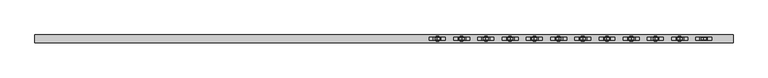
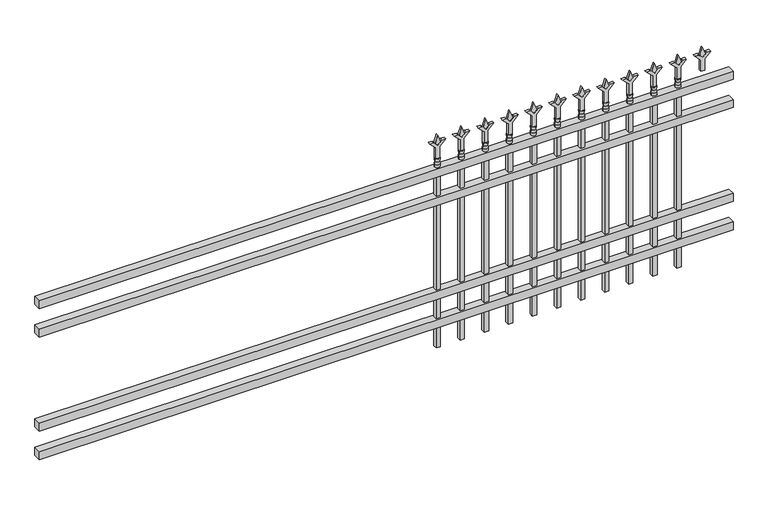
"""IFC4 building model written with IfcOpenShell, lengths in millimetres: railing geometry."""

from ifc_helpers import new_model, si_unit, frame, origin, place, context, project, spatial, polyline, circle_curve, outline, extrude, source, transform, mapped, element, save
from ifc_brep_helpers import plane_surface, cylinder_surface, revolved_surface, advanced_brep


def railing_6ea6c6c9(model_context):
    return source(origin(), model_context, "Body", "SolidModel", [
        extrude(outline(polyline([(-85729.318087, -6748.7195174), (-85729.318087, -6713.7945174), (-82579.718087, -6713.7945174), (-82579.718087, -6748.7195174), (-85729.318087, -6748.7195174)])), frame((0.0, 0.0, 876.3), z_axis=(0.0, 0.0, 1.0), x_axis=(1.0, 0.0, 0.0)), (0.0, 0.0, 1.0), 38.1),
        extrude(outline(polyline([(-85729.318087, -6748.7195174), (-85729.318087, -6713.7945174), (-82579.718087, -6713.7945174), (-82579.718087, -6748.7195174), (-85729.318087, -6748.7195174)])), frame((0.0, 0.0, 739.775), z_axis=(0.0, 0.0, 1.0), x_axis=(1.0, 0.0, 0.0)), (0.0, 0.0, 1.0), 38.1),
        extrude(outline(polyline([(-85729.318087, -6748.7195174), (-85729.318087, -6713.7945174), (-82579.718087, -6713.7945174), (-82579.718087, -6748.7195174), (-85729.318087, -6748.7195174)])), frame((0.0, 0.0, 288.925), z_axis=(0.0, 0.0, 1.0), x_axis=(1.0, 0.0, 0.0)), (0.0, 0.0, 1.0), 38.1),
        extrude(outline(polyline([(-85729.318087, -6748.7195174), (-85729.318087, -6713.7945174), (-82579.718087, -6713.7945174), (-82579.718087, -6748.7195174), (-85729.318087, -6748.7195174)])), frame((0.0, 0.0, 152.4), z_axis=(0.0, 0.0, 1.0), x_axis=(1.0, 0.0, 0.0)), (0.0, 0.0, 1.0), 38.1),
        extrude(outline(polyline([(1031.08125, -82808.8472536), (1066.8, -82820.7535036), (1031.08125, -82832.6597536), (1019.175, -82820.7535036), (1031.08125, -82808.8472536)])), frame((0.0, -6736.0195174, 0.0), z_axis=(0.0, 1.0, 0.0), x_axis=(0.0, 0.0, 1.0)), (0.0, 0.0, 1.0), 9.525),
        extrude(outline(polyline([(955.675, -82812.0222536), (1009.9457378, -82812.0222536), (1037.1355122, -82784.8324791), (1037.1355122, -82802.7929914), (1019.175, -82820.7535036), (1037.1355122, -82838.7140159), (1037.1355122, -82856.6745281), (1009.9457378, -82829.4847536), (955.675, -82829.4847536), (955.675, -82812.0222536)])), frame((0.0, -6737.6070174, 0.0), z_axis=(0.0, 1.0, 0.0), x_axis=(0.0, 0.0, 1.0)), (0.0, 0.0, 1.0), 12.7),
        advanced_brep(
        [(-82808.8472536, -6731.2570174, 927.1), (-82832.6597536, -6731.2570174, 927.1), (-82832.6597536, -6731.2570174, 914.4), (-82808.8472536, -6731.2570174, 914.4), (-82811.0525855, -6731.2570174, 939.6070585), (-82830.4544218, -6731.2570174, 939.6070585), (-82808.8472536, -6731.2570174, 955.675), (-82832.6597536, -6731.2570174, 955.675), (-82820.7535036, -6731.2570174, 955.675), (-82820.7535036, -6731.2570174, 914.4)],
        [
            (0, 1, circle_curve(frame((-82820.7535036, -6731.2570174, 927.1), z_axis=(0.0, 0.0, -1.0), x_axis=(-1.0, 0.0, 0.0)), 11.90625)),
            (1, 2),
            (2, 3, circle_curve(frame((-82820.7535036, -6731.2570174, 914.4), z_axis=(0.0, 0.0, 1.0), x_axis=(-1.0, 0.0, 0.0)), 11.90625)),
            (3, 0),
            (1, 0, circle_curve(frame((-82820.7535036, -6731.2570174, 927.1), z_axis=(0.0, 0.0, -1.0), x_axis=(-1.0, 0.0, 0.0)), 11.90625)),
            (3, 2, circle_curve(frame((-82820.7535036, -6731.2570174, 914.4), z_axis=(0.0, 0.0, 1.0), x_axis=(-1.0, 0.0, 0.0)), 11.90625)),
            (4, 5, circle_curve(frame((-82820.7535036, -6731.2570174, 939.6070585), z_axis=(0.0, 0.0, -1.0), x_axis=(-1.0, 0.0, 0.0)), 9.7009181)),
            (5, 1),
            (0, 4),
            (5, 4, circle_curve(frame((-82820.7535036, -6731.2570174, 939.6070585), z_axis=(0.0, 0.0, -1.0), x_axis=(-1.0, 0.0, 0.0)), 9.7009181)),
            (6, 7, circle_curve(frame((-82820.7535036, -6731.2570174, 955.675), z_axis=(0.0, 0.0, -1.0), x_axis=(-1.0, 0.0, 0.0)), 11.90625)),
            (7, 5),
            (4, 6),
            (7, 6, circle_curve(frame((-82820.7535036, -6731.2570174, 955.675), z_axis=(0.0, 0.0, -1.0), x_axis=(-1.0, 0.0, 0.0)), 11.90625)),
            (8, 7),
            (6, 8),
            (2, 9),
            (9, 3),
        ],
        [
            cylinder_surface(frame((-82820.7535036, -6731.2570174, 914.4), z_axis=(0.0, 0.0, 1.0), x_axis=(-1.0, 0.0, 0.0)), 11.90625),
            revolved_surface(polyline([(-82832.6597536, -6731.2570174, 927.1), (-82830.4544218, -6731.2570174, 939.6070585)]), (-82820.7535036, -6731.2570174, 914.4), (0.0, 0.0, 1.0)),
            revolved_surface(polyline([(-82830.4544218, -6731.2570174, 939.6070585), (-82832.6597536, -6731.2570174, 955.675)]), (-82820.7535036, -6731.2570174, 914.4), (0.0, 0.0, 1.0)),
            plane_surface(frame((-82820.7535036, -6731.2570174, 955.675), z_axis=(0.0, 0.0, 1.0), x_axis=(-1.0, 0.0, 0.0))),
            plane_surface(frame((-82820.7535036, -6731.2570174, 914.4), z_axis=(0.0, 0.0, -1.0), x_axis=(-1.0, 0.0, 0.0))),
        ],
        [
            (0, [[1, 2, 3, 4]]),
            (0, [[5, -4, 6, -2]]),
            (1, [[7, 8, -1, 9]]),
            (1, [[10, -9, -5, -8]]),
            (2, [[11, 12, -7, 13]]),
            (2, [[14, -13, -10, -12]]),
            (3, [[15, -11, 16]]),
            (3, [[-16, -14, -15]]),
            (4, [[-3, 17, 18]]),
            (4, [[-6, -18, -17]]),
        ],
    ),
        extrude(outline(polyline([(-82830.2785036, -6721.7320174), (-82811.2285036, -6721.7320174), (-82811.2285036, -6740.7820174), (-82830.2785036, -6740.7820174), (-82830.2785036, -6721.7320174)])), frame((0.0, 0.0, 50.8), z_axis=(0.0, 0.0, 1.0), x_axis=(1.0, 0.0, 0.0)), (0.0, 0.0, 1.0), 863.6),
        extrude(outline(polyline([(1031.08125, -82918.1201703), (1066.8, -82930.0264203), (1031.08125, -82941.9326703), (1019.175, -82930.0264203), (1031.08125, -82918.1201703)])), frame((0.0, -6736.0195174, 0.0), z_axis=(0.0, 1.0, 0.0), x_axis=(0.0, 0.0, 1.0)), (0.0, 0.0, 1.0), 9.525),
        extrude(outline(polyline([(955.675, -82921.2951703), (1009.9457378, -82921.2951703), (1037.1355122, -82894.1053958), (1037.1355122, -82912.0659081), (1019.175, -82930.0264203), (1037.1355122, -82947.9869325), (1037.1355122, -82965.9474448), (1009.9457378, -82938.7576703), (955.675, -82938.7576703), (955.675, -82921.2951703)])), frame((0.0, -6737.6070174, 0.0), z_axis=(0.0, 1.0, 0.0), x_axis=(0.0, 0.0, 1.0)), (0.0, 0.0, 1.0), 12.7),
        advanced_brep(
        [(-82918.1201703, -6731.2570174, 927.1), (-82941.9326703, -6731.2570174, 927.1), (-82941.9326703, -6731.2570174, 914.4), (-82918.1201703, -6731.2570174, 914.4), (-82920.3255022, -6731.2570174, 939.6070585), (-82939.7273384, -6731.2570174, 939.6070585), (-82918.1201703, -6731.2570174, 955.675), (-82941.9326703, -6731.2570174, 955.675), (-82930.0264203, -6731.2570174, 955.675), (-82930.0264203, -6731.2570174, 914.4)],
        [
            (0, 1, circle_curve(frame((-82930.0264203, -6731.2570174, 927.1), z_axis=(0.0, 0.0, -1.0), x_axis=(-1.0, 0.0, 0.0)), 11.90625)),
            (1, 2),
            (2, 3, circle_curve(frame((-82930.0264203, -6731.2570174, 914.4), z_axis=(0.0, 0.0, 1.0), x_axis=(-1.0, 0.0, 0.0)), 11.90625)),
            (3, 0),
            (1, 0, circle_curve(frame((-82930.0264203, -6731.2570174, 927.1), z_axis=(0.0, 0.0, -1.0), x_axis=(-1.0, 0.0, 0.0)), 11.90625)),
            (3, 2, circle_curve(frame((-82930.0264203, -6731.2570174, 914.4), z_axis=(0.0, 0.0, 1.0), x_axis=(-1.0, 0.0, 0.0)), 11.90625)),
            (4, 5, circle_curve(frame((-82930.0264203, -6731.2570174, 939.6070585), z_axis=(0.0, 0.0, -1.0), x_axis=(-1.0, 0.0, 0.0)), 9.7009181)),
            (5, 1),
            (0, 4),
            (5, 4, circle_curve(frame((-82930.0264203, -6731.2570174, 939.6070585), z_axis=(0.0, 0.0, -1.0), x_axis=(-1.0, 0.0, 0.0)), 9.7009181)),
            (6, 7, circle_curve(frame((-82930.0264203, -6731.2570174, 955.675), z_axis=(0.0, 0.0, -1.0), x_axis=(-1.0, 0.0, 0.0)), 11.90625)),
            (7, 5),
            (4, 6),
            (7, 6, circle_curve(frame((-82930.0264203, -6731.2570174, 955.675), z_axis=(0.0, 0.0, -1.0), x_axis=(-1.0, 0.0, 0.0)), 11.90625)),
            (8, 7),
            (6, 8),
            (2, 9),
            (9, 3),
        ],
        [
            cylinder_surface(frame((-82930.0264203, -6731.2570174, 914.4), z_axis=(0.0, 0.0, 1.0), x_axis=(-1.0, 0.0, 0.0)), 11.90625),
            revolved_surface(polyline([(-82941.9326703, -6731.2570174, 927.1), (-82939.7273384, -6731.2570174, 939.6070585)]), (-82930.0264203, -6731.2570174, 914.4), (0.0, 0.0, 1.0)),
            revolved_surface(polyline([(-82939.7273384, -6731.2570174, 939.6070585), (-82941.9326703, -6731.2570174, 955.675)]), (-82930.0264203, -6731.2570174, 914.4), (0.0, 0.0, 1.0)),
            plane_surface(frame((-82930.0264203, -6731.2570174, 955.675), z_axis=(0.0, 0.0, 1.0), x_axis=(-1.0, 0.0, 0.0))),
            plane_surface(frame((-82930.0264203, -6731.2570174, 914.4), z_axis=(0.0, 0.0, -1.0), x_axis=(-1.0, 0.0, 0.0))),
        ],
        [
            (0, [[1, 2, 3, 4]]),
            (0, [[5, -4, 6, -2]]),
            (1, [[7, 8, -1, 9]]),
            (1, [[10, -9, -5, -8]]),
            (2, [[11, 12, -7, 13]]),
            (2, [[14, -13, -10, -12]]),
            (3, [[15, -11, 16]]),
            (3, [[-16, -14, -15]]),
            (4, [[-3, 17, 18]]),
            (4, [[-6, -18, -17]]),
        ],
    ),
        extrude(outline(polyline([(-82939.5514203, -6721.7320174), (-82920.5014203, -6721.7320174), (-82920.5014203, -6740.7820174), (-82939.5514203, -6740.7820174), (-82939.5514203, -6721.7320174)])), frame((0.0, 0.0, 50.8), z_axis=(0.0, 0.0, 1.0), x_axis=(1.0, 0.0, 0.0)), (0.0, 0.0, 1.0), 863.6),
        extrude(outline(polyline([(1031.08125, -83027.393087), (1066.8, -83039.299337), (1031.08125, -83051.205587), (1019.175, -83039.299337), (1031.08125, -83027.393087)])), frame((0.0, -6736.0195174, 0.0), z_axis=(0.0, 1.0, 0.0), x_axis=(0.0, 0.0, 1.0)), (0.0, 0.0, 1.0), 9.525),
        extrude(outline(polyline([(955.675, -83030.568087), (1009.9457378, -83030.568087), (1037.1355122, -83003.3783125), (1037.1355122, -83021.3388247), (1019.175, -83039.299337), (1037.1355122, -83057.2598492), (1037.1355122, -83075.2203614), (1009.9457378, -83048.030587), (955.675, -83048.030587), (955.675, -83030.568087)])), frame((0.0, -6737.6070174, 0.0), z_axis=(0.0, 1.0, 0.0), x_axis=(0.0, 0.0, 1.0)), (0.0, 0.0, 1.0), 12.7),
        advanced_brep(
        [(-83027.393087, -6731.2570174, 927.1), (-83051.205587, -6731.2570174, 927.1), (-83051.205587, -6731.2570174, 914.4), (-83027.393087, -6731.2570174, 914.4), (-83029.5984188, -6731.2570174, 939.6070585), (-83049.0002551, -6731.2570174, 939.6070585), (-83027.393087, -6731.2570174, 955.675), (-83051.205587, -6731.2570174, 955.675), (-83039.299337, -6731.2570174, 955.675), (-83039.299337, -6731.2570174, 914.4)],
        [
            (0, 1, circle_curve(frame((-83039.299337, -6731.2570174, 927.1), z_axis=(0.0, 0.0, -1.0), x_axis=(-1.0, 0.0, 0.0)), 11.90625)),
            (1, 2),
            (2, 3, circle_curve(frame((-83039.299337, -6731.2570174, 914.4), z_axis=(0.0, 0.0, 1.0), x_axis=(-1.0, 0.0, 0.0)), 11.90625)),
            (3, 0),
            (1, 0, circle_curve(frame((-83039.299337, -6731.2570174, 927.1), z_axis=(0.0, 0.0, -1.0), x_axis=(-1.0, 0.0, 0.0)), 11.90625)),
            (3, 2, circle_curve(frame((-83039.299337, -6731.2570174, 914.4), z_axis=(0.0, 0.0, 1.0), x_axis=(-1.0, 0.0, 0.0)), 11.90625)),
            (4, 5, circle_curve(frame((-83039.299337, -6731.2570174, 939.6070585), z_axis=(0.0, 0.0, -1.0), x_axis=(-1.0, 0.0, 0.0)), 9.7009181)),
            (5, 1),
            (0, 4),
            (5, 4, circle_curve(frame((-83039.299337, -6731.2570174, 939.6070585), z_axis=(0.0, 0.0, -1.0), x_axis=(-1.0, 0.0, 0.0)), 9.7009181)),
            (6, 7, circle_curve(frame((-83039.299337, -6731.2570174, 955.675), z_axis=(0.0, 0.0, -1.0), x_axis=(-1.0, 0.0, 0.0)), 11.90625)),
            (7, 5),
            (4, 6),
            (7, 6, circle_curve(frame((-83039.299337, -6731.2570174, 955.675), z_axis=(0.0, 0.0, -1.0), x_axis=(-1.0, 0.0, 0.0)), 11.90625)),
            (8, 7),
            (6, 8),
            (2, 9),
            (9, 3),
        ],
        [
            cylinder_surface(frame((-83039.299337, -6731.2570174, 914.4), z_axis=(0.0, 0.0, 1.0), x_axis=(-1.0, 0.0, 0.0)), 11.90625),
            revolved_surface(polyline([(-83051.205587, -6731.2570174, 927.1), (-83049.0002551, -6731.2570174, 939.6070585)]), (-83039.299337, -6731.2570174, 914.4), (0.0, 0.0, 1.0)),
            revolved_surface(polyline([(-83049.0002551, -6731.2570174, 939.6070585), (-83051.205587, -6731.2570174, 955.675)]), (-83039.299337, -6731.2570174, 914.4), (0.0, 0.0, 1.0)),
            plane_surface(frame((-83039.299337, -6731.2570174, 955.675), z_axis=(0.0, 0.0, 1.0), x_axis=(-1.0, 0.0, 0.0))),
            plane_surface(frame((-83039.299337, -6731.2570174, 914.4), z_axis=(0.0, 0.0, -1.0), x_axis=(-1.0, 0.0, 0.0))),
        ],
        [
            (0, [[1, 2, 3, 4]]),
            (0, [[5, -4, 6, -2]]),
            (1, [[7, 8, -1, 9]]),
            (1, [[10, -9, -5, -8]]),
            (2, [[11, 12, -7, 13]]),
            (2, [[14, -13, -10, -12]]),
            (3, [[15, -11, 16]]),
            (3, [[-16, -14, -15]]),
            (4, [[-3, 17, 18]]),
            (4, [[-6, -18, -17]]),
        ],
    ),
        extrude(outline(polyline([(-83048.824337, -6721.7320174), (-83029.774337, -6721.7320174), (-83029.774337, -6740.7820174), (-83048.824337, -6740.7820174), (-83048.824337, -6721.7320174)])), frame((0.0, 0.0, 50.8), z_axis=(0.0, 0.0, 1.0), x_axis=(1.0, 0.0, 0.0)), (0.0, 0.0, 1.0), 863.6),
        extrude(outline(polyline([(1031.08125, -83136.6660036), (1066.8, -83148.5722536), (1031.08125, -83160.4785036), (1019.175, -83148.5722536), (1031.08125, -83136.6660036)])), frame((0.0, -6736.0195174, 0.0), z_axis=(0.0, 1.0, 0.0), x_axis=(0.0, 0.0, 1.0)), (0.0, 0.0, 1.0), 9.525),
        extrude(outline(polyline([(955.675, -83139.8410036), (1009.9457378, -83139.8410036), (1037.1355122, -83112.6512291), (1037.1355122, -83130.6117414), (1019.175, -83148.5722536), (1037.1355122, -83166.5327659), (1037.1355122, -83184.4932781), (1009.9457378, -83157.3035036), (955.675, -83157.3035036), (955.675, -83139.8410036)])), frame((0.0, -6737.6070174, 0.0), z_axis=(0.0, 1.0, 0.0), x_axis=(0.0, 0.0, 1.0)), (0.0, 0.0, 1.0), 12.7),
        advanced_brep(
        [(-83136.6660036, -6731.2570174, 927.1), (-83160.4785036, -6731.2570174, 927.1), (-83160.4785036, -6731.2570174, 914.4), (-83136.6660036, -6731.2570174, 914.4), (-83138.8713355, -6731.2570174, 939.6070585), (-83158.2731718, -6731.2570174, 939.6070585), (-83136.6660036, -6731.2570174, 955.675), (-83160.4785036, -6731.2570174, 955.675), (-83148.5722536, -6731.2570174, 955.675), (-83148.5722536, -6731.2570174, 914.4)],
        [
            (0, 1, circle_curve(frame((-83148.5722536, -6731.2570174, 927.1), z_axis=(0.0, 0.0, -1.0), x_axis=(-1.0, 0.0, 0.0)), 11.90625)),
            (1, 2),
            (2, 3, circle_curve(frame((-83148.5722536, -6731.2570174, 914.4), z_axis=(0.0, 0.0, 1.0), x_axis=(-1.0, 0.0, 0.0)), 11.90625)),
            (3, 0),
            (1, 0, circle_curve(frame((-83148.5722536, -6731.2570174, 927.1), z_axis=(0.0, 0.0, -1.0), x_axis=(-1.0, 0.0, 0.0)), 11.90625)),
            (3, 2, circle_curve(frame((-83148.5722536, -6731.2570174, 914.4), z_axis=(0.0, 0.0, 1.0), x_axis=(-1.0, 0.0, 0.0)), 11.90625)),
            (4, 5, circle_curve(frame((-83148.5722536, -6731.2570174, 939.6070585), z_axis=(0.0, 0.0, -1.0), x_axis=(-1.0, 0.0, 0.0)), 9.7009181)),
            (5, 1),
            (0, 4),
            (5, 4, circle_curve(frame((-83148.5722536, -6731.2570174, 939.6070585), z_axis=(0.0, 0.0, -1.0), x_axis=(-1.0, 0.0, 0.0)), 9.7009181)),
            (6, 7, circle_curve(frame((-83148.5722536, -6731.2570174, 955.675), z_axis=(0.0, 0.0, -1.0), x_axis=(-1.0, 0.0, 0.0)), 11.90625)),
            (7, 5),
            (4, 6),
            (7, 6, circle_curve(frame((-83148.5722536, -6731.2570174, 955.675), z_axis=(0.0, 0.0, -1.0), x_axis=(-1.0, 0.0, 0.0)), 11.90625)),
            (8, 7),
            (6, 8),
            (2, 9),
            (9, 3),
        ],
        [
            cylinder_surface(frame((-83148.5722536, -6731.2570174, 914.4), z_axis=(0.0, 0.0, 1.0), x_axis=(-1.0, 0.0, 0.0)), 11.90625),
            revolved_surface(polyline([(-83160.4785036, -6731.2570174, 927.1), (-83158.2731718, -6731.2570174, 939.6070585)]), (-83148.5722536, -6731.2570174, 914.4), (0.0, 0.0, 1.0)),
            revolved_surface(polyline([(-83158.2731718, -6731.2570174, 939.6070585), (-83160.4785036, -6731.2570174, 955.675)]), (-83148.5722536, -6731.2570174, 914.4), (0.0, 0.0, 1.0)),
            plane_surface(frame((-83148.5722536, -6731.2570174, 955.675), z_axis=(0.0, 0.0, 1.0), x_axis=(-1.0, 0.0, 0.0))),
            plane_surface(frame((-83148.5722536, -6731.2570174, 914.4), z_axis=(0.0, 0.0, -1.0), x_axis=(-1.0, 0.0, 0.0))),
        ],
        [
            (0, [[1, 2, 3, 4]]),
            (0, [[5, -4, 6, -2]]),
            (1, [[7, 8, -1, 9]]),
            (1, [[10, -9, -5, -8]]),
            (2, [[11, 12, -7, 13]]),
            (2, [[14, -13, -10, -12]]),
            (3, [[15, -11, 16]]),
            (3, [[-16, -14, -15]]),
            (4, [[-3, 17, 18]]),
            (4, [[-6, -18, -17]]),
        ],
    ),
        extrude(outline(polyline([(-83158.0972536, -6721.7320174), (-83139.0472536, -6721.7320174), (-83139.0472536, -6740.7820174), (-83158.0972536, -6740.7820174), (-83158.0972536, -6721.7320174)])), frame((0.0, 0.0, 50.8), z_axis=(0.0, 0.0, 1.0), x_axis=(1.0, 0.0, 0.0)), (0.0, 0.0, 1.0), 863.6),
        extrude(outline(polyline([(1031.08125, -83245.9389203), (1066.8, -83257.8451703), (1031.08125, -83269.7514203), (1019.175, -83257.8451703), (1031.08125, -83245.9389203)])), frame((0.0, -6736.0195174, 0.0), z_axis=(0.0, 1.0, 0.0), x_axis=(0.0, 0.0, 1.0)), (0.0, 0.0, 1.0), 9.525),
        extrude(outline(polyline([(955.675, -83249.1139203), (1009.9457378, -83249.1139203), (1037.1355122, -83221.9241458), (1037.1355122, -83239.8846581), (1019.175, -83257.8451703), (1037.1355122, -83275.8056825), (1037.1355122, -83293.7661948), (1009.9457378, -83266.5764203), (955.675, -83266.5764203), (955.675, -83249.1139203)])), frame((0.0, -6737.6070174, 0.0), z_axis=(0.0, 1.0, 0.0), x_axis=(0.0, 0.0, 1.0)), (0.0, 0.0, 1.0), 12.7),
        advanced_brep(
        [(-83245.9389203, -6731.2570174, 927.1), (-83269.7514203, -6731.2570174, 927.1), (-83269.7514203, -6731.2570174, 914.4), (-83245.9389203, -6731.2570174, 914.4), (-83248.1442522, -6731.2570174, 939.6070585), (-83267.5460884, -6731.2570174, 939.6070585), (-83245.9389203, -6731.2570174, 955.675), (-83269.7514203, -6731.2570174, 955.675), (-83257.8451703, -6731.2570174, 955.675), (-83257.8451703, -6731.2570174, 914.4)],
        [
            (0, 1, circle_curve(frame((-83257.8451703, -6731.2570174, 927.1), z_axis=(0.0, 0.0, -1.0), x_axis=(-1.0, 0.0, 0.0)), 11.90625)),
            (1, 2),
            (2, 3, circle_curve(frame((-83257.8451703, -6731.2570174, 914.4), z_axis=(0.0, 0.0, 1.0), x_axis=(-1.0, 0.0, 0.0)), 11.90625)),
            (3, 0),
            (1, 0, circle_curve(frame((-83257.8451703, -6731.2570174, 927.1), z_axis=(0.0, 0.0, -1.0), x_axis=(-1.0, 0.0, 0.0)), 11.90625)),
            (3, 2, circle_curve(frame((-83257.8451703, -6731.2570174, 914.4), z_axis=(0.0, 0.0, 1.0), x_axis=(-1.0, 0.0, 0.0)), 11.90625)),
            (4, 5, circle_curve(frame((-83257.8451703, -6731.2570174, 939.6070585), z_axis=(0.0, 0.0, -1.0), x_axis=(-1.0, 0.0, 0.0)), 9.7009181)),
            (5, 1),
            (0, 4),
            (5, 4, circle_curve(frame((-83257.8451703, -6731.2570174, 939.6070585), z_axis=(0.0, 0.0, -1.0), x_axis=(-1.0, 0.0, 0.0)), 9.7009181)),
            (6, 7, circle_curve(frame((-83257.8451703, -6731.2570174, 955.675), z_axis=(0.0, 0.0, -1.0), x_axis=(-1.0, 0.0, 0.0)), 11.90625)),
            (7, 5),
            (4, 6),
            (7, 6, circle_curve(frame((-83257.8451703, -6731.2570174, 955.675), z_axis=(0.0, 0.0, -1.0), x_axis=(-1.0, 0.0, 0.0)), 11.90625)),
            (8, 7),
            (6, 8),
            (2, 9),
            (9, 3),
        ],
        [
            cylinder_surface(frame((-83257.8451703, -6731.2570174, 914.4), z_axis=(0.0, 0.0, 1.0), x_axis=(-1.0, 0.0, 0.0)), 11.90625),
            revolved_surface(polyline([(-83269.7514203, -6731.2570174, 927.1), (-83267.5460884, -6731.2570174, 939.6070585)]), (-83257.8451703, -6731.2570174, 914.4), (0.0, 0.0, 1.0)),
            revolved_surface(polyline([(-83267.5460884, -6731.2570174, 939.6070585), (-83269.7514203, -6731.2570174, 955.675)]), (-83257.8451703, -6731.2570174, 914.4), (0.0, 0.0, 1.0)),
            plane_surface(frame((-83257.8451703, -6731.2570174, 955.675), z_axis=(0.0, 0.0, 1.0), x_axis=(-1.0, 0.0, 0.0))),
            plane_surface(frame((-83257.8451703, -6731.2570174, 914.4), z_axis=(0.0, 0.0, -1.0), x_axis=(-1.0, 0.0, 0.0))),
        ],
        [
            (0, [[1, 2, 3, 4]]),
            (0, [[5, -4, 6, -2]]),
            (1, [[7, 8, -1, 9]]),
            (1, [[10, -9, -5, -8]]),
            (2, [[11, 12, -7, 13]]),
            (2, [[14, -13, -10, -12]]),
            (3, [[15, -11, 16]]),
            (3, [[-16, -14, -15]]),
            (4, [[-3, 17, 18]]),
            (4, [[-6, -18, -17]]),
        ],
    ),
        extrude(outline(polyline([(-83267.3701703, -6721.7320174), (-83248.3201703, -6721.7320174), (-83248.3201703, -6740.7820174), (-83267.3701703, -6740.7820174), (-83267.3701703, -6721.7320174)])), frame((0.0, 0.0, 50.8), z_axis=(0.0, 0.0, 1.0), x_axis=(1.0, 0.0, 0.0)), (0.0, 0.0, 1.0), 863.6),
        extrude(outline(polyline([(1031.08125, -83355.211837), (1066.8, -83367.118087), (1031.08125, -83379.024337), (1019.175, -83367.118087), (1031.08125, -83355.211837)])), frame((0.0, -6736.0195174, 0.0), z_axis=(0.0, 1.0, 0.0), x_axis=(0.0, 0.0, 1.0)), (0.0, 0.0, 1.0), 9.525),
        extrude(outline(polyline([(955.675, -83358.386837), (1009.9457378, -83358.386837), (1037.1355122, -83331.1970625), (1037.1355122, -83349.1575747), (1019.175, -83367.118087), (1037.1355122, -83385.0785992), (1037.1355122, -83403.0391114), (1009.9457378, -83375.849337), (955.675, -83375.849337), (955.675, -83358.386837)])), frame((0.0, -6737.6070174, 0.0), z_axis=(0.0, 1.0, 0.0), x_axis=(0.0, 0.0, 1.0)), (0.0, 0.0, 1.0), 12.7),
        advanced_brep(
        [(-83355.211837, -6731.2570174, 927.1), (-83379.024337, -6731.2570174, 927.1), (-83379.024337, -6731.2570174, 914.4), (-83355.211837, -6731.2570174, 914.4), (-83357.4171688, -6731.2570174, 939.6070585), (-83376.8190051, -6731.2570174, 939.6070585), (-83355.211837, -6731.2570174, 955.675), (-83379.024337, -6731.2570174, 955.675), (-83367.118087, -6731.2570174, 955.675), (-83367.118087, -6731.2570174, 914.4)],
        [
            (0, 1, circle_curve(frame((-83367.118087, -6731.2570174, 927.1), z_axis=(0.0, 0.0, -1.0), x_axis=(-1.0, 0.0, 0.0)), 11.90625)),
            (1, 2),
            (2, 3, circle_curve(frame((-83367.118087, -6731.2570174, 914.4), z_axis=(0.0, 0.0, 1.0), x_axis=(-1.0, 0.0, 0.0)), 11.90625)),
            (3, 0),
            (1, 0, circle_curve(frame((-83367.118087, -6731.2570174, 927.1), z_axis=(0.0, 0.0, -1.0), x_axis=(-1.0, 0.0, 0.0)), 11.90625)),
            (3, 2, circle_curve(frame((-83367.118087, -6731.2570174, 914.4), z_axis=(0.0, 0.0, 1.0), x_axis=(-1.0, 0.0, 0.0)), 11.90625)),
            (4, 5, circle_curve(frame((-83367.118087, -6731.2570174, 939.6070585), z_axis=(0.0, 0.0, -1.0), x_axis=(-1.0, 0.0, 0.0)), 9.7009181)),
            (5, 1),
            (0, 4),
            (5, 4, circle_curve(frame((-83367.118087, -6731.2570174, 939.6070585), z_axis=(0.0, 0.0, -1.0), x_axis=(-1.0, 0.0, 0.0)), 9.7009181)),
            (6, 7, circle_curve(frame((-83367.118087, -6731.2570174, 955.675), z_axis=(0.0, 0.0, -1.0), x_axis=(-1.0, 0.0, 0.0)), 11.90625)),
            (7, 5),
            (4, 6),
            (7, 6, circle_curve(frame((-83367.118087, -6731.2570174, 955.675), z_axis=(0.0, 0.0, -1.0), x_axis=(-1.0, 0.0, 0.0)), 11.90625)),
            (8, 7),
            (6, 8),
            (2, 9),
            (9, 3),
        ],
        [
            cylinder_surface(frame((-83367.118087, -6731.2570174, 914.4), z_axis=(0.0, 0.0, 1.0), x_axis=(-1.0, 0.0, 0.0)), 11.90625),
            revolved_surface(polyline([(-83379.024337, -6731.2570174, 927.1), (-83376.8190051, -6731.2570174, 939.6070585)]), (-83367.118087, -6731.2570174, 914.4), (0.0, 0.0, 1.0)),
            revolved_surface(polyline([(-83376.8190051, -6731.2570174, 939.6070585), (-83379.024337, -6731.2570174, 955.675)]), (-83367.118087, -6731.2570174, 914.4), (0.0, 0.0, 1.0)),
            plane_surface(frame((-83367.118087, -6731.2570174, 955.675), z_axis=(0.0, 0.0, 1.0), x_axis=(-1.0, 0.0, 0.0))),
            plane_surface(frame((-83367.118087, -6731.2570174, 914.4), z_axis=(0.0, 0.0, -1.0), x_axis=(-1.0, 0.0, 0.0))),
        ],
        [
            (0, [[1, 2, 3, 4]]),
            (0, [[5, -4, 6, -2]]),
            (1, [[7, 8, -1, 9]]),
            (1, [[10, -9, -5, -8]]),
            (2, [[11, 12, -7, 13]]),
            (2, [[14, -13, -10, -12]]),
            (3, [[15, -11, 16]]),
            (3, [[-16, -14, -15]]),
            (4, [[-3, 17, 18]]),
            (4, [[-6, -18, -17]]),
        ],
    ),
        extrude(outline(polyline([(-83376.643087, -6721.7320174), (-83357.593087, -6721.7320174), (-83357.593087, -6740.7820174), (-83376.643087, -6740.7820174), (-83376.643087, -6721.7320174)])), frame((0.0, 0.0, 50.8), z_axis=(0.0, 0.0, 1.0), x_axis=(1.0, 0.0, 0.0)), (0.0, 0.0, 1.0), 863.6),
        extrude(outline(polyline([(1031.08125, -83464.4847536), (1066.8, -83476.3910036), (1031.08125, -83488.2972536), (1019.175, -83476.3910036), (1031.08125, -83464.4847536)])), frame((0.0, -6736.0195174, 0.0), z_axis=(0.0, 1.0, 0.0), x_axis=(0.0, 0.0, 1.0)), (0.0, 0.0, 1.0), 9.525),
        extrude(outline(polyline([(955.675, -83467.6597536), (1009.9457378, -83467.6597536), (1037.1355122, -83440.4699791), (1037.1355122, -83458.4304914), (1019.175, -83476.3910036), (1037.1355122, -83494.3515159), (1037.1355122, -83512.3120281), (1009.9457378, -83485.1222536), (955.675, -83485.1222536), (955.675, -83467.6597536)])), frame((0.0, -6737.6070174, 0.0), z_axis=(0.0, 1.0, 0.0), x_axis=(0.0, 0.0, 1.0)), (0.0, 0.0, 1.0), 12.7),
        advanced_brep(
        [(-83464.4847536, -6731.2570174, 927.1), (-83488.2972536, -6731.2570174, 927.1), (-83488.2972536, -6731.2570174, 914.4), (-83464.4847536, -6731.2570174, 914.4), (-83466.6900855, -6731.2570174, 939.6070585), (-83486.0919218, -6731.2570174, 939.6070585), (-83464.4847536, -6731.2570174, 955.675), (-83488.2972536, -6731.2570174, 955.675), (-83476.3910036, -6731.2570174, 955.675), (-83476.3910036, -6731.2570174, 914.4)],
        [
            (0, 1, circle_curve(frame((-83476.3910036, -6731.2570174, 927.1), z_axis=(0.0, 0.0, -1.0), x_axis=(-1.0, 0.0, 0.0)), 11.90625)),
            (1, 2),
            (2, 3, circle_curve(frame((-83476.3910036, -6731.2570174, 914.4), z_axis=(0.0, 0.0, 1.0), x_axis=(-1.0, 0.0, 0.0)), 11.90625)),
            (3, 0),
            (1, 0, circle_curve(frame((-83476.3910036, -6731.2570174, 927.1), z_axis=(0.0, 0.0, -1.0), x_axis=(-1.0, 0.0, 0.0)), 11.90625)),
            (3, 2, circle_curve(frame((-83476.3910036, -6731.2570174, 914.4), z_axis=(0.0, 0.0, 1.0), x_axis=(-1.0, 0.0, 0.0)), 11.90625)),
            (4, 5, circle_curve(frame((-83476.3910036, -6731.2570174, 939.6070585), z_axis=(0.0, 0.0, -1.0), x_axis=(-1.0, 0.0, 0.0)), 9.7009181)),
            (5, 1),
            (0, 4),
            (5, 4, circle_curve(frame((-83476.3910036, -6731.2570174, 939.6070585), z_axis=(0.0, 0.0, -1.0), x_axis=(-1.0, 0.0, 0.0)), 9.7009181)),
            (6, 7, circle_curve(frame((-83476.3910036, -6731.2570174, 955.675), z_axis=(0.0, 0.0, -1.0), x_axis=(-1.0, 0.0, 0.0)), 11.90625)),
            (7, 5),
            (4, 6),
            (7, 6, circle_curve(frame((-83476.3910036, -6731.2570174, 955.675), z_axis=(0.0, 0.0, -1.0), x_axis=(-1.0, 0.0, 0.0)), 11.90625)),
            (8, 7),
            (6, 8),
            (2, 9),
            (9, 3),
        ],
        [
            cylinder_surface(frame((-83476.3910036, -6731.2570174, 914.4), z_axis=(0.0, 0.0, 1.0), x_axis=(-1.0, 0.0, 0.0)), 11.90625),
            revolved_surface(polyline([(-83488.2972536, -6731.2570174, 927.1), (-83486.0919218, -6731.2570174, 939.6070585)]), (-83476.3910036, -6731.2570174, 914.4), (0.0, 0.0, 1.0)),
            revolved_surface(polyline([(-83486.0919218, -6731.2570174, 939.6070585), (-83488.2972536, -6731.2570174, 955.675)]), (-83476.3910036, -6731.2570174, 914.4), (0.0, 0.0, 1.0)),
            plane_surface(frame((-83476.3910036, -6731.2570174, 955.675), z_axis=(0.0, 0.0, 1.0), x_axis=(-1.0, 0.0, 0.0))),
            plane_surface(frame((-83476.3910036, -6731.2570174, 914.4), z_axis=(0.0, 0.0, -1.0), x_axis=(-1.0, 0.0, 0.0))),
        ],
        [
            (0, [[1, 2, 3, 4]]),
            (0, [[5, -4, 6, -2]]),
            (1, [[7, 8, -1, 9]]),
            (1, [[10, -9, -5, -8]]),
            (2, [[11, 12, -7, 13]]),
            (2, [[14, -13, -10, -12]]),
            (3, [[15, -11, 16]]),
            (3, [[-16, -14, -15]]),
            (4, [[-3, 17, 18]]),
            (4, [[-6, -18, -17]]),
        ],
    ),
        extrude(outline(polyline([(-83485.9160036, -6721.7320174), (-83466.8660036, -6721.7320174), (-83466.8660036, -6740.7820174), (-83485.9160036, -6740.7820174), (-83485.9160036, -6721.7320174)])), frame((0.0, 0.0, 50.8), z_axis=(0.0, 0.0, 1.0), x_axis=(1.0, 0.0, 0.0)), (0.0, 0.0, 1.0), 863.6),
        extrude(outline(polyline([(1031.08125, -83573.7576703), (1066.8, -83585.6639203), (1031.08125, -83597.5701703), (1019.175, -83585.6639203), (1031.08125, -83573.7576703)])), frame((0.0, -6736.0195174, 0.0), z_axis=(0.0, 1.0, 0.0), x_axis=(0.0, 0.0, 1.0)), (0.0, 0.0, 1.0), 9.525),
        extrude(outline(polyline([(955.675, -83576.9326703), (1009.9457378, -83576.9326703), (1037.1355122, -83549.7428958), (1037.1355122, -83567.7034081), (1019.175, -83585.6639203), (1037.1355122, -83603.6244325), (1037.1355122, -83621.5849448), (1009.9457378, -83594.3951703), (955.675, -83594.3951703), (955.675, -83576.9326703)])), frame((0.0, -6737.6070174, 0.0), z_axis=(0.0, 1.0, 0.0), x_axis=(0.0, 0.0, 1.0)), (0.0, 0.0, 1.0), 12.7),
        advanced_brep(
        [(-83573.7576703, -6731.2570174, 927.1), (-83597.5701703, -6731.2570174, 927.1), (-83597.5701703, -6731.2570174, 914.4), (-83573.7576703, -6731.2570174, 914.4), (-83575.9630022, -6731.2570174, 939.6070585), (-83595.3648384, -6731.2570174, 939.6070585), (-83573.7576703, -6731.2570174, 955.675), (-83597.5701703, -6731.2570174, 955.675), (-83585.6639203, -6731.2570174, 955.675), (-83585.6639203, -6731.2570174, 914.4)],
        [
            (0, 1, circle_curve(frame((-83585.6639203, -6731.2570174, 927.1), z_axis=(0.0, 0.0, -1.0), x_axis=(-1.0, 0.0, 0.0)), 11.90625)),
            (1, 2),
            (2, 3, circle_curve(frame((-83585.6639203, -6731.2570174, 914.4), z_axis=(0.0, 0.0, 1.0), x_axis=(-1.0, 0.0, 0.0)), 11.90625)),
            (3, 0),
            (1, 0, circle_curve(frame((-83585.6639203, -6731.2570174, 927.1), z_axis=(0.0, 0.0, -1.0), x_axis=(-1.0, 0.0, 0.0)), 11.90625)),
            (3, 2, circle_curve(frame((-83585.6639203, -6731.2570174, 914.4), z_axis=(0.0, 0.0, 1.0), x_axis=(-1.0, 0.0, 0.0)), 11.90625)),
            (4, 5, circle_curve(frame((-83585.6639203, -6731.2570174, 939.6070585), z_axis=(0.0, 0.0, -1.0), x_axis=(-1.0, 0.0, 0.0)), 9.7009181)),
            (5, 1),
            (0, 4),
            (5, 4, circle_curve(frame((-83585.6639203, -6731.2570174, 939.6070585), z_axis=(0.0, 0.0, -1.0), x_axis=(-1.0, 0.0, 0.0)), 9.7009181)),
            (6, 7, circle_curve(frame((-83585.6639203, -6731.2570174, 955.675), z_axis=(0.0, 0.0, -1.0), x_axis=(-1.0, 0.0, 0.0)), 11.90625)),
            (7, 5),
            (4, 6),
            (7, 6, circle_curve(frame((-83585.6639203, -6731.2570174, 955.675), z_axis=(0.0, 0.0, -1.0), x_axis=(-1.0, 0.0, 0.0)), 11.90625)),
            (8, 7),
            (6, 8),
            (2, 9),
            (9, 3),
        ],
        [
            cylinder_surface(frame((-83585.6639203, -6731.2570174, 914.4), z_axis=(0.0, 0.0, 1.0), x_axis=(-1.0, 0.0, 0.0)), 11.90625),
            revolved_surface(polyline([(-83597.5701703, -6731.2570174, 927.1), (-83595.3648384, -6731.2570174, 939.6070585)]), (-83585.6639203, -6731.2570174, 914.4), (0.0, 0.0, 1.0)),
            revolved_surface(polyline([(-83595.3648384, -6731.2570174, 939.6070585), (-83597.5701703, -6731.2570174, 955.675)]), (-83585.6639203, -6731.2570174, 914.4), (0.0, 0.0, 1.0)),
            plane_surface(frame((-83585.6639203, -6731.2570174, 955.675), z_axis=(0.0, 0.0, 1.0), x_axis=(-1.0, 0.0, 0.0))),
            plane_surface(frame((-83585.6639203, -6731.2570174, 914.4), z_axis=(0.0, 0.0, -1.0), x_axis=(-1.0, 0.0, 0.0))),
        ],
        [
            (0, [[1, 2, 3, 4]]),
            (0, [[5, -4, 6, -2]]),
            (1, [[7, 8, -1, 9]]),
            (1, [[10, -9, -5, -8]]),
            (2, [[11, 12, -7, 13]]),
            (2, [[14, -13, -10, -12]]),
            (3, [[15, -11, 16]]),
            (3, [[-16, -14, -15]]),
            (4, [[-3, 17, 18]]),
            (4, [[-6, -18, -17]]),
        ],
    ),
        extrude(outline(polyline([(-83595.1889203, -6721.7320174), (-83576.1389203, -6721.7320174), (-83576.1389203, -6740.7820174), (-83595.1889203, -6740.7820174), (-83595.1889203, -6721.7320174)])), frame((0.0, 0.0, 50.8), z_axis=(0.0, 0.0, 1.0), x_axis=(1.0, 0.0, 0.0)), (0.0, 0.0, 1.0), 863.6),
        extrude(outline(polyline([(1031.08125, -83683.030587), (1066.8, -83694.936837), (1031.08125, -83706.843087), (1019.175, -83694.936837), (1031.08125, -83683.030587)])), frame((0.0, -6736.0195174, 0.0), z_axis=(0.0, 1.0, 0.0), x_axis=(0.0, 0.0, 1.0)), (0.0, 0.0, 1.0), 9.525),
        extrude(outline(polyline([(955.675, -83686.205587), (1009.9457378, -83686.205587), (1037.1355122, -83659.0158125), (1037.1355122, -83676.9763247), (1019.175, -83694.936837), (1037.1355122, -83712.8973492), (1037.1355122, -83730.8578614), (1009.9457378, -83703.668087), (955.675, -83703.668087), (955.675, -83686.205587)])), frame((0.0, -6737.6070174, 0.0), z_axis=(0.0, 1.0, 0.0), x_axis=(0.0, 0.0, 1.0)), (0.0, 0.0, 1.0), 12.7),
        advanced_brep(
        [(-83683.030587, -6731.2570174, 927.1), (-83706.843087, -6731.2570174, 927.1), (-83706.843087, -6731.2570174, 914.4), (-83683.030587, -6731.2570174, 914.4), (-83685.2359188, -6731.2570174, 939.6070585), (-83704.6377551, -6731.2570174, 939.6070585), (-83683.030587, -6731.2570174, 955.675), (-83706.843087, -6731.2570174, 955.675), (-83694.936837, -6731.2570174, 955.675), (-83694.936837, -6731.2570174, 914.4)],
        [
            (0, 1, circle_curve(frame((-83694.936837, -6731.2570174, 927.1), z_axis=(0.0, 0.0, -1.0), x_axis=(-1.0, 0.0, 0.0)), 11.90625)),
            (1, 2),
            (2, 3, circle_curve(frame((-83694.936837, -6731.2570174, 914.4), z_axis=(0.0, 0.0, 1.0), x_axis=(-1.0, 0.0, 0.0)), 11.90625)),
            (3, 0),
            (1, 0, circle_curve(frame((-83694.936837, -6731.2570174, 927.1), z_axis=(0.0, 0.0, -1.0), x_axis=(-1.0, 0.0, 0.0)), 11.90625)),
            (3, 2, circle_curve(frame((-83694.936837, -6731.2570174, 914.4), z_axis=(0.0, 0.0, 1.0), x_axis=(-1.0, 0.0, 0.0)), 11.90625)),
            (4, 5, circle_curve(frame((-83694.936837, -6731.2570174, 939.6070585), z_axis=(0.0, 0.0, -1.0), x_axis=(-1.0, 0.0, 0.0)), 9.7009181)),
            (5, 1),
            (0, 4),
            (5, 4, circle_curve(frame((-83694.936837, -6731.2570174, 939.6070585), z_axis=(0.0, 0.0, -1.0), x_axis=(-1.0, 0.0, 0.0)), 9.7009181)),
            (6, 7, circle_curve(frame((-83694.936837, -6731.2570174, 955.675), z_axis=(0.0, 0.0, -1.0), x_axis=(-1.0, 0.0, 0.0)), 11.90625)),
            (7, 5),
            (4, 6),
            (7, 6, circle_curve(frame((-83694.936837, -6731.2570174, 955.675), z_axis=(0.0, 0.0, -1.0), x_axis=(-1.0, 0.0, 0.0)), 11.90625)),
            (8, 7),
            (6, 8),
            (2, 9),
            (9, 3),
        ],
        [
            cylinder_surface(frame((-83694.936837, -6731.2570174, 914.4), z_axis=(0.0, 0.0, 1.0), x_axis=(-1.0, 0.0, 0.0)), 11.90625),
            revolved_surface(polyline([(-83706.843087, -6731.2570174, 927.1), (-83704.6377551, -6731.2570174, 939.6070585)]), (-83694.936837, -6731.2570174, 914.4), (0.0, 0.0, 1.0)),
            revolved_surface(polyline([(-83704.6377551, -6731.2570174, 939.6070585), (-83706.843087, -6731.2570174, 955.675)]), (-83694.936837, -6731.2570174, 914.4), (0.0, 0.0, 1.0)),
            plane_surface(frame((-83694.936837, -6731.2570174, 955.675), z_axis=(0.0, 0.0, 1.0), x_axis=(-1.0, 0.0, 0.0))),
            plane_surface(frame((-83694.936837, -6731.2570174, 914.4), z_axis=(0.0, 0.0, -1.0), x_axis=(-1.0, 0.0, 0.0))),
        ],
        [
            (0, [[1, 2, 3, 4]]),
            (0, [[5, -4, 6, -2]]),
            (1, [[7, 8, -1, 9]]),
            (1, [[10, -9, -5, -8]]),
            (2, [[11, 12, -7, 13]]),
            (2, [[14, -13, -10, -12]]),
            (3, [[15, -11, 16]]),
            (3, [[-16, -14, -15]]),
            (4, [[-3, 17, 18]]),
            (4, [[-6, -18, -17]]),
        ],
    ),
        extrude(outline(polyline([(-83704.461837, -6721.7320174), (-83685.411837, -6721.7320174), (-83685.411837, -6740.7820174), (-83704.461837, -6740.7820174), (-83704.461837, -6721.7320174)])), frame((0.0, 0.0, 50.8), z_axis=(0.0, 0.0, 1.0), x_axis=(1.0, 0.0, 0.0)), (0.0, 0.0, 1.0), 863.6),
        extrude(outline(polyline([(1031.08125, -83792.3035036), (1066.8, -83804.2097536), (1031.08125, -83816.1160036), (1019.175, -83804.2097536), (1031.08125, -83792.3035036)])), frame((0.0, -6736.0195174, 0.0), z_axis=(0.0, 1.0, 0.0), x_axis=(0.0, 0.0, 1.0)), (0.0, 0.0, 1.0), 9.525),
        extrude(outline(polyline([(955.675, -83795.4785036), (1009.9457378, -83795.4785036), (1037.1355122, -83768.2887291), (1037.1355122, -83786.2492414), (1019.175, -83804.2097536), (1037.1355122, -83822.1702659), (1037.1355122, -83840.1307781), (1009.9457378, -83812.9410036), (955.675, -83812.9410036), (955.675, -83795.4785036)])), frame((0.0, -6737.6070174, 0.0), z_axis=(0.0, 1.0, 0.0), x_axis=(0.0, 0.0, 1.0)), (0.0, 0.0, 1.0), 12.7),
        advanced_brep(
        [(-83792.3035036, -6731.2570174, 927.1), (-83816.1160036, -6731.2570174, 927.1), (-83816.1160036, -6731.2570174, 914.4), (-83792.3035036, -6731.2570174, 914.4), (-83794.5088355, -6731.2570174, 939.6070585), (-83813.9106718, -6731.2570174, 939.6070585), (-83792.3035036, -6731.2570174, 955.675), (-83816.1160036, -6731.2570174, 955.675), (-83804.2097536, -6731.2570174, 955.675), (-83804.2097536, -6731.2570174, 914.4)],
        [
            (0, 1, circle_curve(frame((-83804.2097536, -6731.2570174, 927.1), z_axis=(0.0, 0.0, -1.0), x_axis=(-1.0, 0.0, 0.0)), 11.90625)),
            (1, 2),
            (2, 3, circle_curve(frame((-83804.2097536, -6731.2570174, 914.4), z_axis=(0.0, 0.0, 1.0), x_axis=(-1.0, 0.0, 0.0)), 11.90625)),
            (3, 0),
            (1, 0, circle_curve(frame((-83804.2097536, -6731.2570174, 927.1), z_axis=(0.0, 0.0, -1.0), x_axis=(-1.0, 0.0, 0.0)), 11.90625)),
            (3, 2, circle_curve(frame((-83804.2097536, -6731.2570174, 914.4), z_axis=(0.0, 0.0, 1.0), x_axis=(-1.0, 0.0, 0.0)), 11.90625)),
            (4, 5, circle_curve(frame((-83804.2097536, -6731.2570174, 939.6070585), z_axis=(0.0, 0.0, -1.0), x_axis=(-1.0, 0.0, 0.0)), 9.7009181)),
            (5, 1),
            (0, 4),
            (5, 4, circle_curve(frame((-83804.2097536, -6731.2570174, 939.6070585), z_axis=(0.0, 0.0, -1.0), x_axis=(-1.0, 0.0, 0.0)), 9.7009181)),
            (6, 7, circle_curve(frame((-83804.2097536, -6731.2570174, 955.675), z_axis=(0.0, 0.0, -1.0), x_axis=(-1.0, 0.0, 0.0)), 11.90625)),
            (7, 5),
            (4, 6),
            (7, 6, circle_curve(frame((-83804.2097536, -6731.2570174, 955.675), z_axis=(0.0, 0.0, -1.0), x_axis=(-1.0, 0.0, 0.0)), 11.90625)),
            (8, 7),
            (6, 8),
            (2, 9),
            (9, 3),
        ],
        [
            cylinder_surface(frame((-83804.2097536, -6731.2570174, 914.4), z_axis=(0.0, 0.0, 1.0), x_axis=(-1.0, 0.0, 0.0)), 11.90625),
            revolved_surface(polyline([(-83816.1160036, -6731.2570174, 927.1), (-83813.9106718, -6731.2570174, 939.6070585)]), (-83804.2097536, -6731.2570174, 914.4), (0.0, 0.0, 1.0)),
            revolved_surface(polyline([(-83813.9106718, -6731.2570174, 939.6070585), (-83816.1160036, -6731.2570174, 955.675)]), (-83804.2097536, -6731.2570174, 914.4), (0.0, 0.0, 1.0)),
            plane_surface(frame((-83804.2097536, -6731.2570174, 955.675), z_axis=(0.0, 0.0, 1.0), x_axis=(-1.0, 0.0, 0.0))),
            plane_surface(frame((-83804.2097536, -6731.2570174, 914.4), z_axis=(0.0, 0.0, -1.0), x_axis=(-1.0, 0.0, 0.0))),
        ],
        [
            (0, [[1, 2, 3, 4]]),
            (0, [[5, -4, 6, -2]]),
            (1, [[7, 8, -1, 9]]),
            (1, [[10, -9, -5, -8]]),
            (2, [[11, 12, -7, 13]]),
            (2, [[14, -13, -10, -12]]),
            (3, [[15, -11, 16]]),
            (3, [[-16, -14, -15]]),
            (4, [[-3, 17, 18]]),
            (4, [[-6, -18, -17]]),
        ],
    ),
        extrude(outline(polyline([(-83813.7347536, -6721.7320174), (-83794.6847536, -6721.7320174), (-83794.6847536, -6740.7820174), (-83813.7347536, -6740.7820174), (-83813.7347536, -6721.7320174)])), frame((0.0, 0.0, 50.8), z_axis=(0.0, 0.0, 1.0), x_axis=(1.0, 0.0, 0.0)), (0.0, 0.0, 1.0), 863.6),
        extrude(outline(polyline([(1031.08125, -83901.5764203), (1066.8, -83913.4826703), (1031.08125, -83925.3889203), (1019.175, -83913.4826703), (1031.08125, -83901.5764203)])), frame((0.0, -6736.0195174, 0.0), z_axis=(0.0, 1.0, 0.0), x_axis=(0.0, 0.0, 1.0)), (0.0, 0.0, 1.0), 9.525),
        extrude(outline(polyline([(955.675, -83904.7514203), (1009.9457378, -83904.7514203), (1037.1355122, -83877.5616458), (1037.1355122, -83895.5221581), (1019.175, -83913.4826703), (1037.1355122, -83931.4431825), (1037.1355122, -83949.4036948), (1009.9457378, -83922.2139203), (955.675, -83922.2139203), (955.675, -83904.7514203)])), frame((0.0, -6737.6070174, 0.0), z_axis=(0.0, 1.0, 0.0), x_axis=(0.0, 0.0, 1.0)), (0.0, 0.0, 1.0), 12.7),
        advanced_brep(
        [(-83901.5764203, -6731.2570174, 927.1), (-83925.3889203, -6731.2570174, 927.1), (-83925.3889203, -6731.2570174, 914.4), (-83901.5764203, -6731.2570174, 914.4), (-83903.7817522, -6731.2570174, 939.6070585), (-83923.1835884, -6731.2570174, 939.6070585), (-83901.5764203, -6731.2570174, 955.675), (-83925.3889203, -6731.2570174, 955.675), (-83913.4826703, -6731.2570174, 955.675), (-83913.4826703, -6731.2570174, 914.4)],
        [
            (0, 1, circle_curve(frame((-83913.4826703, -6731.2570174, 927.1), z_axis=(0.0, 0.0, -1.0), x_axis=(-1.0, 0.0, 0.0)), 11.90625)),
            (1, 2),
            (2, 3, circle_curve(frame((-83913.4826703, -6731.2570174, 914.4), z_axis=(0.0, 0.0, 1.0), x_axis=(-1.0, 0.0, 0.0)), 11.90625)),
            (3, 0),
            (1, 0, circle_curve(frame((-83913.4826703, -6731.2570174, 927.1), z_axis=(0.0, 0.0, -1.0), x_axis=(-1.0, 0.0, 0.0)), 11.90625)),
            (3, 2, circle_curve(frame((-83913.4826703, -6731.2570174, 914.4), z_axis=(0.0, 0.0, 1.0), x_axis=(-1.0, 0.0, 0.0)), 11.90625)),
            (4, 5, circle_curve(frame((-83913.4826703, -6731.2570174, 939.6070585), z_axis=(0.0, 0.0, -1.0), x_axis=(-1.0, 0.0, 0.0)), 9.7009181)),
            (5, 1),
            (0, 4),
            (5, 4, circle_curve(frame((-83913.4826703, -6731.2570174, 939.6070585), z_axis=(0.0, 0.0, -1.0), x_axis=(-1.0, 0.0, 0.0)), 9.7009181)),
            (6, 7, circle_curve(frame((-83913.4826703, -6731.2570174, 955.675), z_axis=(0.0, 0.0, -1.0), x_axis=(-1.0, 0.0, 0.0)), 11.90625)),
            (7, 5),
            (4, 6),
            (7, 6, circle_curve(frame((-83913.4826703, -6731.2570174, 955.675), z_axis=(0.0, 0.0, -1.0), x_axis=(-1.0, 0.0, 0.0)), 11.90625)),
            (8, 7),
            (6, 8),
            (2, 9),
            (9, 3),
        ],
        [
            cylinder_surface(frame((-83913.4826703, -6731.2570174, 914.4), z_axis=(0.0, 0.0, 1.0), x_axis=(-1.0, 0.0, 0.0)), 11.90625),
            revolved_surface(polyline([(-83925.3889203, -6731.2570174, 927.1), (-83923.1835884, -6731.2570174, 939.6070585)]), (-83913.4826703, -6731.2570174, 914.4), (0.0, 0.0, 1.0)),
            revolved_surface(polyline([(-83923.1835884, -6731.2570174, 939.6070585), (-83925.3889203, -6731.2570174, 955.675)]), (-83913.4826703, -6731.2570174, 914.4), (0.0, 0.0, 1.0)),
            plane_surface(frame((-83913.4826703, -6731.2570174, 955.675), z_axis=(0.0, 0.0, 1.0), x_axis=(-1.0, 0.0, 0.0))),
            plane_surface(frame((-83913.4826703, -6731.2570174, 914.4), z_axis=(0.0, 0.0, -1.0), x_axis=(-1.0, 0.0, 0.0))),
        ],
        [
            (0, [[1, 2, 3, 4]]),
            (0, [[5, -4, 6, -2]]),
            (1, [[7, 8, -1, 9]]),
            (1, [[10, -9, -5, -8]]),
            (2, [[11, 12, -7, 13]]),
            (2, [[14, -13, -10, -12]]),
            (3, [[15, -11, 16]]),
            (3, [[-16, -14, -15]]),
            (4, [[-3, 17, 18]]),
            (4, [[-6, -18, -17]]),
        ],
    ),
        extrude(outline(polyline([(-83923.0076703, -6721.7320174), (-83903.9576703, -6721.7320174), (-83903.9576703, -6740.7820174), (-83923.0076703, -6740.7820174), (-83923.0076703, -6721.7320174)])), frame((0.0, 0.0, 50.8), z_axis=(0.0, 0.0, 1.0), x_axis=(1.0, 0.0, 0.0)), (0.0, 0.0, 1.0), 863.6),
        extrude(outline(polyline([(1031.08125, -82699.574337), (1066.8, -82711.480587), (1031.08125, -82723.386837), (1019.175, -82711.480587), (1031.08125, -82699.574337)])), frame((0.0, -6736.0195174, 0.0), z_axis=(0.0, 1.0, 0.0), x_axis=(0.0, 0.0, 1.0)), (0.0, 0.0, 1.0), 9.525),
        extrude(outline(polyline([(955.675, -82702.749337), (1009.9457378, -82702.749337), (1037.1355122, -82675.5595625), (1037.1355122, -82693.5200747), (1019.175, -82711.480587), (1037.1355122, -82729.4410992), (1037.1355122, -82747.4016114), (1009.9457378, -82720.211837), (955.675, -82720.211837), (955.675, -82702.749337)])), frame((0.0, -6737.6070174, 0.0), z_axis=(0.0, 1.0, 0.0), x_axis=(0.0, 0.0, 1.0)), (0.0, 0.0, 1.0), 12.7),
    ])


if __name__ == "__main__":
    model = new_model("IFC4")
    model_context = context("Model", 3, world=origin())
    ifc_project = project(units=[si_unit("LENGTHUNIT", "METRE", prefix="MILLI")], contexts=[model_context])
    site = spatial("IfcSite", under=ifc_project)
    building = spatial("IfcBuilding", under=site)
    placement = place(None, origin())
    railing_shape = railing_6ea6c6c9(model_context)
    element("IfcRailing", 1, at=placement, inside=building, context=model_context, shape_type="MappedRepresentation", body=[
        mapped(railing_shape, transform((0.0, 0.0, 0.0), x_axis=(1.0, 0.0, 0.0), y_axis=(0.0, 1.0, 0.0), z_axis=(0.0, 0.0, 1.0))),
    ])
    save(model, "model.ifc")
